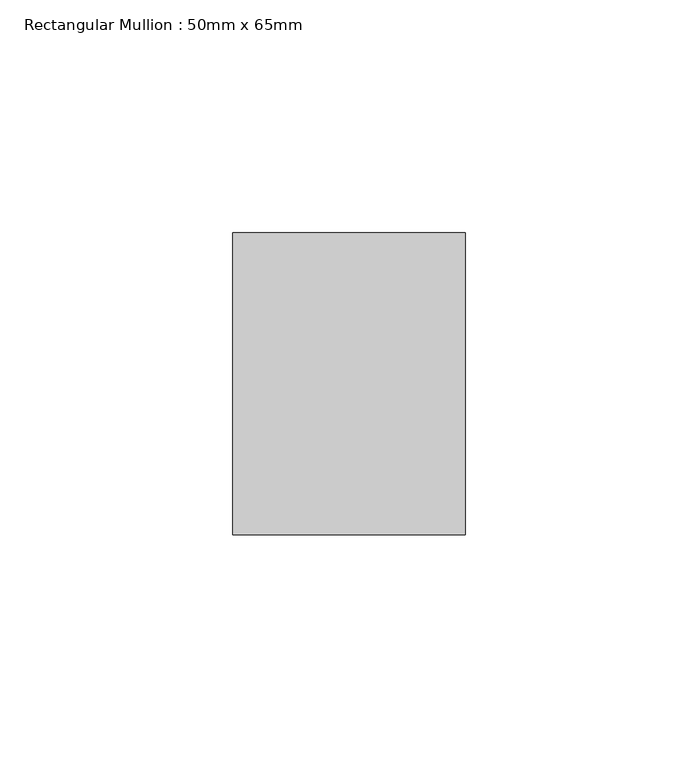
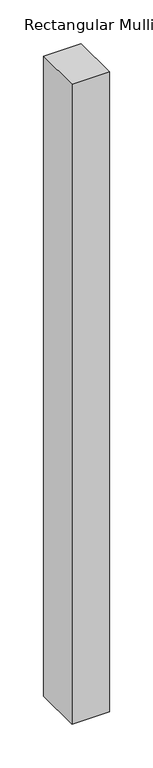
"""IFC4 building model written with IfcOpenShell, lengths in millimetres: member geometry, Rectangular Mullion : 50mm x 65mm."""

from ifc_helpers import new_model, si_unit, frame, origin, place, context, project, spatial, polyline, outline, extrude, source, transform, mapped, element, save


def rectangular_mullion_50mm_x_65mm_14b09543(model_context):
    return source(origin(), model_context, "Body", "SweptSolid", [
        extrude(outline(polyline([(0.0, 32.5), (0.0, -32.5), (-50.0, -32.5), (-50.0, 32.5), (0.0, 32.5)])), frame((0.0, 0.0, -895.0), z_axis=(0.0, 0.0, 1.0), x_axis=(1.0, 0.0, 0.0)), (0.0, 0.0, 1.0), 895.0),
    ])


if __name__ == "__main__":
    model = new_model("IFC4")
    model_context = context("Model", 3, world=origin())
    ifc_project = project(units=[si_unit("LENGTHUNIT", "METRE", prefix="MILLI")], contexts=[model_context])
    site = spatial("IfcSite", under=ifc_project)
    building = spatial("IfcBuilding", under=site)
    placement = place(None, origin())
    rectangular_mullion_50mm_x_65mm_shape = rectangular_mullion_50mm_x_65mm_14b09543(model_context)
    element("IfcMember", 1, ObjectType="Rectangular Mullion : 50mm x 65mm", at=placement, inside=building, context=model_context, shape_type="MappedRepresentation", body=[
        mapped(rectangular_mullion_50mm_x_65mm_shape, transform((0.0, 0.0, 0.0), x_axis=(1.0, 0.0, 0.0), y_axis=(0.0, 1.0, 0.0), z_axis=(0.0, 0.0, 1.0))),
    ])
    save(model, "model.ifc")
